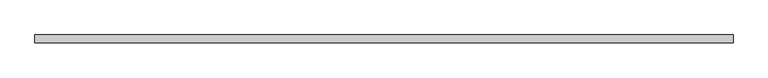
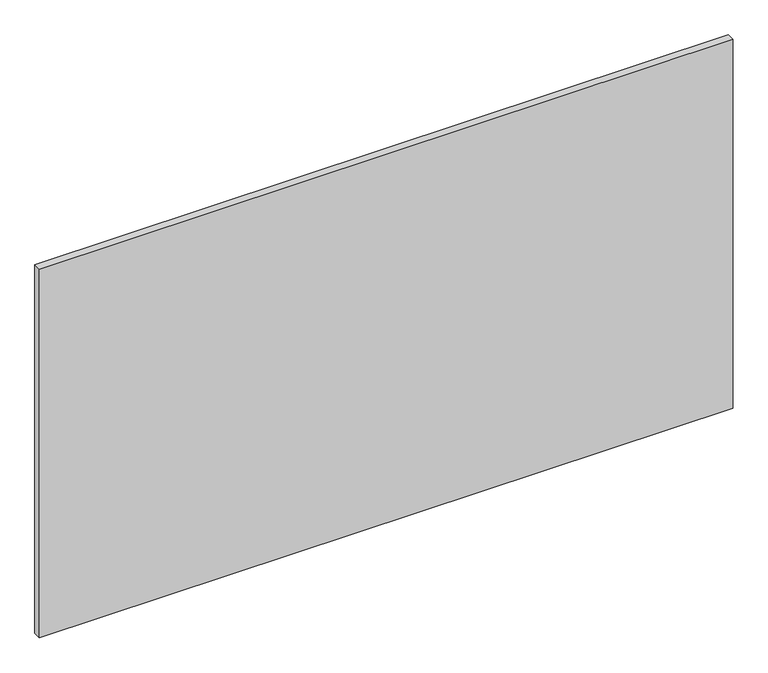
"""IFC4 building model written with IfcOpenShell, lengths in millimetres: plate geometry."""

from ifc_helpers import new_model, si_unit, origin, origin_with_axes, place, context, project, spatial, polyline, outline, extrude, source, transform, mapped, element, save


def plate_4ca6d2fa(model_context):
    return source(origin(), model_context, "Body", "SweptSolid", [
        extrude(outline(polyline([(616.6, -40.2), (-616.6, -40.2), (-616.6, -26.2), (616.6, -26.2), (616.6, -40.2)])), origin_with_axes(), (0.0, 0.0, 1.0), 693.2),
    ])


if __name__ == "__main__":
    model = new_model("IFC4")
    model_context = context("Model", 3, world=origin())
    ifc_project = project(units=[si_unit("LENGTHUNIT", "METRE", prefix="MILLI")], contexts=[model_context])
    site = spatial("IfcSite", under=ifc_project)
    building = spatial("IfcBuilding", under=site)
    placement = place(None, origin())
    plate_shape = plate_4ca6d2fa(model_context)
    element("IfcPlate", 1, at=placement, inside=building, context=model_context, shape_type="MappedRepresentation", body=[
        mapped(plate_shape, transform((0.0, 0.0, 0.0), x_axis=(1.0, 0.0, 0.0), y_axis=(0.0, 1.0, 0.0), z_axis=(0.0, 0.0, 1.0))),
    ])
    save(model, "model.ifc")
